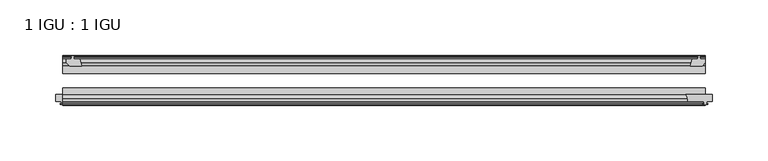
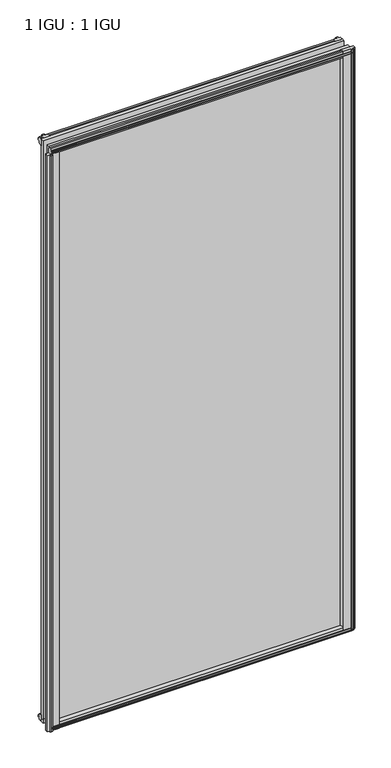
"""IFC4 building model written with IfcOpenShell, lengths in millimetres: plate geometry, 1 IGU : 1 IGU."""

import ifcopenshell
import ifcopenshell.guid

model = None  # the IFC model being written
_history = None  # IfcOwnerHistory: only IFC2X3 demands one
_inside = {}  # id of a spatial element -> (the spatial element, [elements in it])
_under = {}  # id of a project, library or spatial element -> (it, [spatial elements below it])
_declared = {}  # id of a project -> (the project, [libraries it declares])
_typed = {}  # id of a type object -> (the type object, [elements of that type])
_made_of = {}  # id of a material, layer set ... -> (it, [elements and type objects made of it])


def new_model(schema):
    """Start an empty IFC model of exactly this schema.

    Asked for "IFC4X3", IfcOpenShell would pick the latest addendum, in which some entities
    have other attributes; the version numbers below select the first issue.
    IFC2X3 requires an IfcOwnerHistory on every rooted entity: one is made here for all.
    """
    global model, _history
    if schema == "IFC4X3":
        model = ifcopenshell.file(schema_version=(4, 3, 0, 0))
    else:
        model = ifcopenshell.file(schema=schema)
    _inside.clear()
    _under.clear()
    _declared.clear()
    _typed.clear()
    _made_of.clear()
    _history = None
    if model.schema == "IFC2X3":
        org = make("IfcOrganization", Name="unknown")
        user = make(
            "IfcPersonAndOrganization",
            ThePerson=make("IfcPerson", FamilyName="unknown"),
            TheOrganization=org,
        )
        app = make(
            "IfcApplication",
            ApplicationDeveloper=org,
            Version="unknown",
            ApplicationFullName="unknown",
            ApplicationIdentifier="unknown",
        )
        _history = make(
            "IfcOwnerHistory",
            OwningUser=user,
            OwningApplication=app,
            ChangeAction="ADDED",
            CreationDate=0,
        )
    return model


def make(cls, **values):
    """One entity of the class cls with the attributes given. An attribute that is None is left unset."""
    return model.create_entity(
        cls, **{name: value for name, value in values.items() if value is not None}
    )


def rooted(cls, **values):
    """An entity with a GlobalId (a new one), such as an element, a storey or a relation."""
    return make(cls, GlobalId=ifcopenshell.guid.new(), OwnerHistory=_history, **values)


def si_unit(unit_type, name, prefix=None):
    """IfcSIUnit, for example si_unit("LENGTHUNIT", "METRE", prefix="MILLI")."""
    return make("IfcSIUnit", UnitType=unit_type, Prefix=prefix, Name=name)


def assignment(units):
    """IfcUnitAssignment: the units of a project."""
    return None if units is None else make("IfcUnitAssignment", Units=units)


def point(xyz):
    """IfcCartesianPoint."""
    return None if xyz is None else make("IfcCartesianPoint", Coordinates=xyz)


def direction(xyz):
    """IfcDirection."""
    return None if xyz is None else make("IfcDirection", DirectionRatios=xyz)


def frame(location, z_axis=None, x_axis=None):
    """IfcAxis2Placement3D, a coordinate frame: its origin and axes. An axis left out is left unset."""
    return make(
        "IfcAxis2Placement3D",
        Location=point(location),
        Axis=direction(z_axis),
        RefDirection=direction(x_axis),
    )


def frame_2d(location, x_axis=None):
    """IfcAxis2Placement2D, a coordinate frame in the plane: its origin and x axis."""
    return make(
        "IfcAxis2Placement2D", Location=point(location), RefDirection=direction(x_axis)
    )


def origin():
    """The frame at (0, 0, 0) with its axes left unset."""
    return frame((0.0, 0.0, 0.0))


def place(relative_to, where):
    """IfcLocalPlacement: puts the frame where relative to a parent placement (None: the world)."""
    return make(
        "IfcLocalPlacement", PlacementRelTo=relative_to, RelativePlacement=where
    )


def context(
    kind, dimensions, precision=None, world=None, true_north=None, identifier=None
):
    """IfcGeometricRepresentationContext, for example the 3D "Model" context."""
    return make(
        "IfcGeometricRepresentationContext",
        ContextIdentifier=identifier,
        ContextType=kind,
        CoordinateSpaceDimension=dimensions,
        Precision=precision,
        WorldCoordinateSystem=world,
        TrueNorth=true_north,
    )


def project(units=None, contexts=None):
    """IfcProject with its units and contexts."""
    return rooted(
        "IfcProject",
        Name="project",
        RepresentationContexts=contexts,
        UnitsInContext=assignment(units),
    )


def spatial(cls, under=None, at=None, **own):
    """A site, building, storey or space (cls), placed at a placement, below another one or the project."""
    s = rooted(cls, ObjectPlacement=at, **own)
    if under is not None:
        _under.setdefault(under.id(), (under, []))[1].append(s)
    return s


def polyline(points):
    """IfcPolyline through the points."""
    return make("IfcPolyline", Points=[point(p) for p in points])


def circle_curve(where, radius):
    """IfcCircle in the frame where."""
    return make("IfcCircle", Position=where, Radius=radius)


def trimmed(basis, trim1, trim2, sense, master):
    """IfcTrimmedCurve: the piece of a basis curve between two trims."""
    return make(
        "IfcTrimmedCurve",
        BasisCurve=basis,
        Trim1=trim1,
        Trim2=trim2,
        SenseAgreement=sense,
        MasterRepresentation=master,
    )


def segment(curve, same_sense, transition):
    """IfcCompositeCurveSegment."""
    return make(
        "IfcCompositeCurveSegment",
        Transition=transition,
        SameSense=same_sense,
        ParentCurve=curve,
    )


def composite_curve(segments, self_intersect=None):
    """IfcCompositeCurve: segments joined end to end."""
    return make("IfcCompositeCurve", Segments=segments, SelfIntersect=self_intersect)


def outline(outer, holes=None, kind="AREA"):
    """IfcArbitraryClosedProfileDef: a profile drawn as a closed curve; with holes, ...WithVoids."""
    if holes is None:
        return make("IfcArbitraryClosedProfileDef", ProfileType=kind, OuterCurve=outer)
    return make(
        "IfcArbitraryProfileDefWithVoids",
        ProfileType=kind,
        OuterCurve=outer,
        InnerCurves=holes,
    )


def extrude(swept, where, along, depth):
    """IfcExtrudedAreaSolid: the profile swept, set in the frame where, extruded along a direction by depth."""
    return make(
        "IfcExtrudedAreaSolid",
        SweptArea=swept,
        Position=where,
        ExtrudedDirection=direction(along),
        Depth=depth,
    )


def shape(context_of_items, identifier, shape_type, items):
    """IfcShapeRepresentation: the items that make up one representation, for example the "Body"."""
    return make(
        "IfcShapeRepresentation",
        ContextOfItems=context_of_items,
        RepresentationIdentifier=identifier,
        RepresentationType=shape_type,
        Items=items,
    )


def source(mapping_origin, context_of_items, identifier, shape_type, items):
    """IfcRepresentationMap: a shape defined once, which mapped items show again and again."""
    return make(
        "IfcRepresentationMap",
        MappingOrigin=mapping_origin,
        MappedRepresentation=shape(context_of_items, identifier, shape_type, items),
    )


def transform(
    local_origin,
    x_axis=None,
    y_axis=None,
    z_axis=None,
    scale=None,
    scale2=None,
    scale3=None,
    uniform=True,
):
    """IfcCartesianTransformationOperator3D, or its non-uniform kind. x_axis, y_axis, z_axis: its Axis1, 2, 3."""
    if uniform:
        return make(
            "IfcCartesianTransformationOperator3D",
            Axis1=direction(x_axis),
            Axis2=direction(y_axis),
            LocalOrigin=point(local_origin),
            Scale=scale,
            Axis3=direction(z_axis),
        )
    return make(
        "IfcCartesianTransformationOperator3DnonUniform",
        Axis1=direction(x_axis),
        Axis2=direction(y_axis),
        LocalOrigin=point(local_origin),
        Scale=scale,
        Axis3=direction(z_axis),
        Scale2=scale2,
        Scale3=scale3,
    )


def mapped(mapping_source, mapping_target):
    """IfcMappedItem: shows the shape of a source again, moved by a transform."""
    return make(
        "IfcMappedItem", MappingSource=mapping_source, MappingTarget=mapping_target
    )


def made_of(thing, what):
    """Note that an element or type object is made of a material, layer set ...; save() writes the relation."""
    if what is not None:
        _made_of.setdefault(what.id(), (what, []))[1].append(thing)
    return thing


def element(
    cls,
    number,
    at=None,
    inside=None,
    cuts=None,
    type_object=None,
    material=None,
    context=None,
    identifier="Body",
    shape_type=None,
    held_by="IfcProductDefinitionShape",
    body=None,
    shapes=None,
    **own,
):
    """One element of the class cls, such as IfcWall. Its Tag is "e" and its number.

    at: its placement. inside: the storey or other place that contains it. cuts: it is an
    opening in that element (IfcRelVoidsElement). A single representation is given by context,
    identifier, shape_type and body (its items); several are given by shapes. held_by: the class
    of the entity that holds the representations. save() writes the other relations.
    """
    e = rooted(cls, Tag="e%d" % number, ObjectPlacement=at, **own)
    if body is not None:
        shapes = [shape(context, identifier, shape_type, body)]
    if shapes is not None:
        e.Representation = make(held_by, Representations=shapes)
    if inside is not None:
        _inside.setdefault(inside.id(), (inside, []))[1].append(e)
    if cuts is not None:
        rooted(
            "IfcRelVoidsElement", RelatingBuildingElement=cuts, RelatedOpeningElement=e
        )
    if type_object is not None:
        _typed.setdefault(type_object.id(), (type_object, []))[1].append(e)
    return made_of(e, material)


def aggregate(whole, parts):
    """IfcRelAggregates: a whole, such as a stair, and the parts it consists of."""
    return rooted("IfcRelAggregates", RelatingObject=whole, RelatedObjects=parts)


def save(model, path):
    """Write the relations noted so far, then the file.

    IfcRelAggregates (storeys below a building ...), IfcRelContainedInSpatialStructure (elements
    in a storey), IfcRelDefinesByType, IfcRelAssociatesMaterial and IfcRelDeclares: one each for
    every whole, place, type object, material and project.
    """
    for whole, parts in _under.values():
        aggregate(whole, parts)
    for where, things in _inside.values():
        rooted(
            "IfcRelContainedInSpatialStructure",
            RelatedElements=things,
            RelatingStructure=where,
        )
    for kind, things in _typed.values():
        rooted("IfcRelDefinesByType", RelatedObjects=things, RelatingType=kind)
    for what, things in _made_of.values():
        rooted("IfcRelAssociatesMaterial", RelatedObjects=things, RelatingMaterial=what)
    for by, libraries in _declared.values():
        rooted("IfcRelDeclares", RelatingContext=by, RelatedDefinitions=libraries)
    model.write(path)


def plate_1_igu_1_igu_16be7815(model_context):
    return source(origin(), model_context, "Body", "SweptSolid", [
        extrude(outline(polyline([(281.1166084, -10.4746158), (283.2941375, -9.7670938), (285.4716666, -10.4746158), (285.4716666, -11.27583), (284.0561375, -10.8158968), (284.4371375, -13.1960938), (288.8821375, -13.1960938), (288.8821375, -16.1424938), (286.0477953, -19.5460938), (275.2264194, -19.5460938), (276.9441375, -13.1960938), (282.1511375, -13.1960938), (282.5321375, -10.8158968), (281.1166084, -11.27583), (281.1166084, -10.4746158)])), frame((0.0, 0.0, -12.4587), z_axis=(0.0, 0.0, 1.0), x_axis=(1.0, 0.0, 0.0)), (0.0, 0.0, 1.0), 1180.6174),
        extrude(outline(polyline([(-279.9207, -9.7670937), (-277.7431709, -10.4746158), (-277.7431709, -11.27583), (-279.1587, -10.8158968), (-278.7777, -13.1960937), (-273.5707, -13.1960937), (-271.8529819, -19.5460937), (-282.6743578, -19.5460937), (-285.5087, -16.1424937), (-285.5087, -13.1960937), (-281.0637, -13.1960937), (-280.6827, -10.8158968), (-282.0982291, -11.27583), (-282.0982291, -10.4746158), (-279.9207, -9.7670937)])), frame((0.0, 0.0, -12.4587), z_axis=(0.0, 0.0, 1.0), x_axis=(1.0, 0.0, 0.0)), (0.0, 0.0, 1.0), 1180.6174),
        extrude(outline(composite_curve([segment(polyline([(-295.275, -44.9460937), (-271.1867558, -44.9460937)]), True, "CONTINUOUS"), segment(trimmed(circle_curve(frame_2d((-264.2743721, -50.4227155)), 8.8189814), [point((-271.1867558, -44.9460937))], [point((-273.05, -51.2960937))], True, "CARTESIAN"), True, "CONTINUOUS"), segment(polyline([(-273.05, -51.2960937), (-287.655, -51.2960937), (-287.9725, -53.4006957), (-286.7538941, -53.0741712), (-286.5501, -53.8347412), (-288.925, -54.4710937), (-291.2999, -53.8347412), (-291.0961059, -53.0741712), (-289.8775, -53.4006957), (-290.195, -51.2960937), (-295.275, -51.2960937), (-295.275, -44.9460937)]), True, "CONTINUOUS")], self_intersect=False)), frame((0.0, 0.0, -12.4587), z_axis=(0.0, 0.0, 1.0), x_axis=(1.0, 0.0, 0.0)), (0.0, 0.0, 1.0), 1167.9174),
        extrude(outline(composite_curve([segment(polyline([(271.1867558, -44.9460938), (295.275, -44.9460938), (295.275, -51.2960938), (290.195, -51.2960938), (289.8775, -53.4006957), (291.0961059, -53.0741712), (291.2999, -53.8347412), (288.925, -54.4710938), (286.5501, -53.8347412), (286.7538941, -53.0741712), (287.9725, -53.4006957), (287.655, -51.2960938), (273.05, -51.2960938)]), True, "CONTINUOUS"), segment(trimmed(circle_curve(frame_2d((264.2743721, -50.4227155)), 8.8189814), [point((273.05, -51.2960938))], [point((271.1867558, -44.9460938))], True, "CARTESIAN"), True, "CONTINUOUS")], self_intersect=False)), frame((0.0, 0.0, -9.0482291), z_axis=(0.0, 0.0, 1.0), x_axis=(1.0, 0.0, 0.0)), (0.0, 0.0, 1.0), 1177.2069291),
        extrude(outline(polyline([(-10.4746158, -4.6931709), (-9.7670937, -6.8707), (-10.4746158, -9.0482291), (-11.27583, -9.0482291), (-10.8158968, -7.6327), (-13.1960937, -8.0137), (-13.1960937, -12.4587), (-16.1424937, -12.4587), (-19.5460937, -9.6243578), (-19.5460937, 1.1970181), (-13.1960937, -0.5207), (-13.1960937, -5.7277), (-10.8158968, -6.1087), (-11.27583, -4.6931709), (-10.4746158, -4.6931709)])), frame((-288.925, 0.0, 0.0), z_axis=(1.0, 0.0, 0.0), x_axis=(0.0, 1.0, 0.0)), (0.0, 0.0, 1.0), 577.85),
        extrude(outline(polyline([(-44.9460937, 1.7177181), (-44.9460937, -9.1036578), (-48.3496937, -11.938), (-51.2960937, -11.938), (-51.2960937, -7.493), (-53.6762907, -7.112), (-53.2163575, -8.5275291), (-54.0175717, -8.5275291), (-54.7250937, -6.35), (-54.0175717, -4.1724709), (-53.2163575, -4.1724709), (-53.6762907, -5.588), (-51.2960937, -5.207), (-51.2960937, 0.0), (-44.9460937, 1.7177181)])), frame((-288.925, 0.0, 0.0), z_axis=(1.0, 0.0, 0.0), x_axis=(0.0, 1.0, 0.0)), (0.0, 0.0, 1.0), 577.85),
        extrude(outline(polyline([(-10.8158968, 1163.3327), (-11.27583, 1164.7482291), (-10.4746158, 1164.7482291), (-9.7670937, 1162.5707), (-10.4746158, 1160.3931709), (-11.27583, 1160.3931709), (-10.8158968, 1161.8087), (-13.1960937, 1161.4277), (-13.1960937, 1156.2207), (-19.5460938, 1154.5029819), (-19.5460938, 1165.3243578), (-16.1424937, 1168.1587), (-13.1960937, 1168.1587), (-13.1960937, 1163.7137), (-10.8158968, 1163.3327)])), frame((-288.925, 0.0, 0.0), z_axis=(1.0, 0.0, 0.0), x_axis=(0.0, 1.0, 0.0)), (0.0, 0.0, 1.0), 577.85),
        extrude(outline(polyline([(-51.2960937, 1167.638), (-48.3496937, 1167.638), (-44.9460938, 1164.8036578), (-44.9460938, 1153.9822819), (-51.2960937, 1155.7), (-51.2960937, 1160.907), (-53.6762907, 1161.288), (-53.2163575, 1159.8724709), (-54.0175717, 1159.8724709), (-54.7250937, 1162.05), (-54.0175717, 1164.2275291), (-53.2163575, 1164.2275291), (-53.6762907, 1162.812), (-51.2960937, 1163.193), (-51.2960937, 1167.638)])), frame((-288.925, 0.0, 0.0), z_axis=(1.0, 0.0, 0.0), x_axis=(0.0, 1.0, 0.0)), (0.0, 0.0, 1.0), 577.85),
        extrude(outline(polyline([(-288.925, -38.9186738), (288.925, -38.9186738), (288.925, -44.9460937), (-288.925, -44.9460937), (-288.925, -38.9186738)])), frame((0.0, 0.0, -12.7), z_axis=(0.0, 0.0, 1.0), x_axis=(1.0, 0.0, 0.0)), (0.0, 0.0, 1.0), 1181.1),
        extrude(outline(polyline([(-288.925, -19.5460937), (288.925, -19.5460937), (288.925, -25.8960938), (-288.925, -25.8960938), (-288.925, -19.5460937)])), frame((0.0, 0.0, -12.7), z_axis=(0.0, 0.0, 1.0), x_axis=(1.0, 0.0, 0.0)), (0.0, 0.0, 1.0), 1181.1),
    ])


if __name__ == "__main__":
    model = new_model("IFC4")
    model_context = context("Model", 3, world=origin())
    ifc_project = project(units=[si_unit("LENGTHUNIT", "METRE", prefix="MILLI")], contexts=[model_context])
    site = spatial("IfcSite", under=ifc_project)
    building = spatial("IfcBuilding", under=site)
    placement = place(None, origin())
    plate_1_igu_1_igu_shape = plate_1_igu_1_igu_16be7815(model_context)
    element("IfcPlate", 1, ObjectType="1 IGU : 1 IGU", at=placement, inside=building, context=model_context, shape_type="MappedRepresentation", body=[
        mapped(plate_1_igu_1_igu_shape, transform((0.0, 0.0, 0.0), x_axis=(1.0, 0.0, 0.0), y_axis=(0.0, 1.0, 0.0), z_axis=(0.0, 0.0, 1.0))),
    ])
    save(model, "model.ifc")
